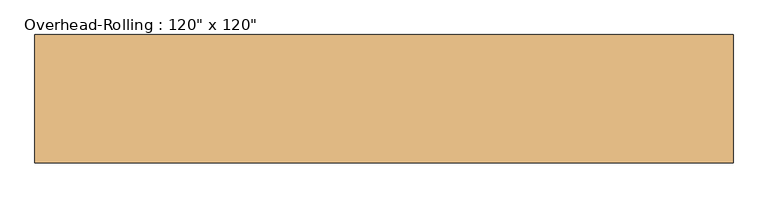
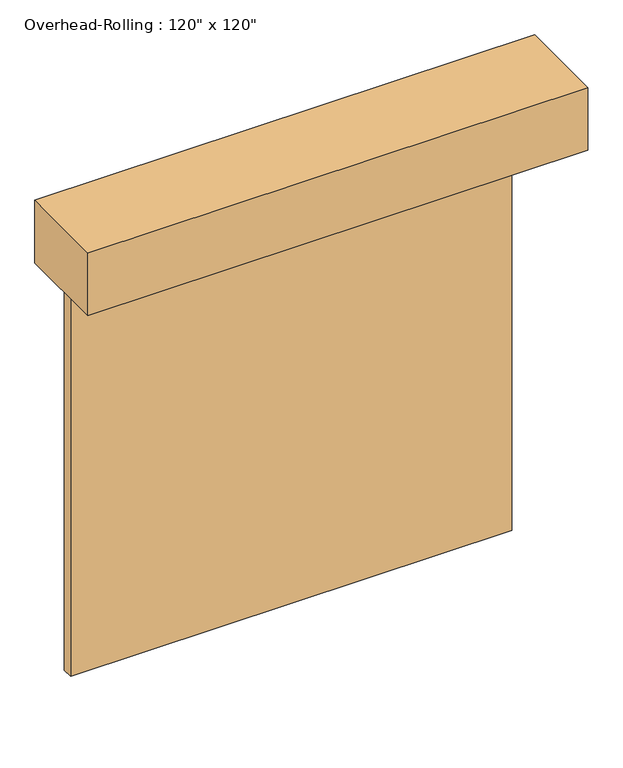
"""IFC4 building model written with IfcOpenShell, lengths in millimetres: door geometry."""

from ifc_helpers import new_model, si_unit, frame, origin, origin_with_axes, place, context, project, spatial, polyline, outline, extrude, source, transform, mapped, element, save


def door_a99e17b9(model_context):
    return source(origin(), model_context, "Body", "SweptSolid", [
        extrude(outline(polyline([(1524.0, -152.4), (1524.0, -228.6), (-1524.0, -228.6), (-1524.0, -152.4), (1524.0, -152.4)])), origin_with_axes(), (0.0, 0.0, 1.0), 3048.0),
        extrude(outline(polyline([(1727.2, -787.4), (-1727.2, -787.4), (-1727.2, -152.4), (1727.2, -152.4), (1727.2, -787.4)])), frame((0.0, 0.0, 3048.0), z_axis=(0.0, 0.0, 1.0), x_axis=(1.0, 0.0, 0.0)), (0.0, 0.0, 1.0), 457.2),
    ])


if __name__ == "__main__":
    model = new_model("IFC4")
    model_context = context("Model", 3, world=origin())
    ifc_project = project(units=[si_unit("LENGTHUNIT", "METRE", prefix="MILLI")], contexts=[model_context])
    site = spatial("IfcSite", under=ifc_project)
    building = spatial("IfcBuilding", under=site)
    placement = place(None, origin())
    door_shape = door_a99e17b9(model_context)
    element("IfcDoor", 1, ObjectType="Overhead-Rolling : 120\" x 120\"", at=placement, inside=building, context=model_context, shape_type="MappedRepresentation", body=[
        mapped(door_shape, transform((0.0, 0.0, 0.0), x_axis=(1.0, 0.0, 0.0), y_axis=(0.0, 1.0, 0.0), z_axis=(0.0, 0.0, 1.0))),
    ])
    save(model, "model.ifc")
